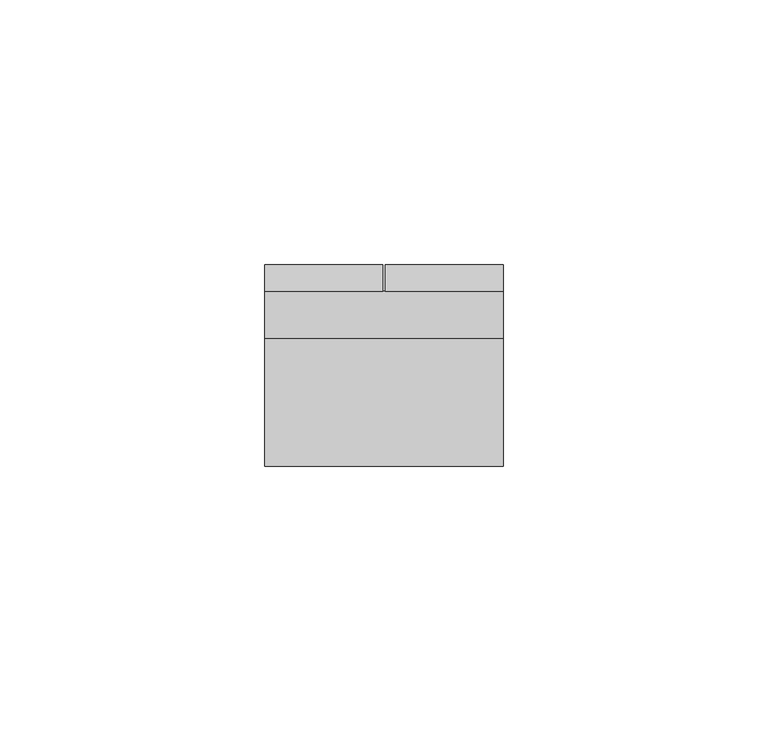
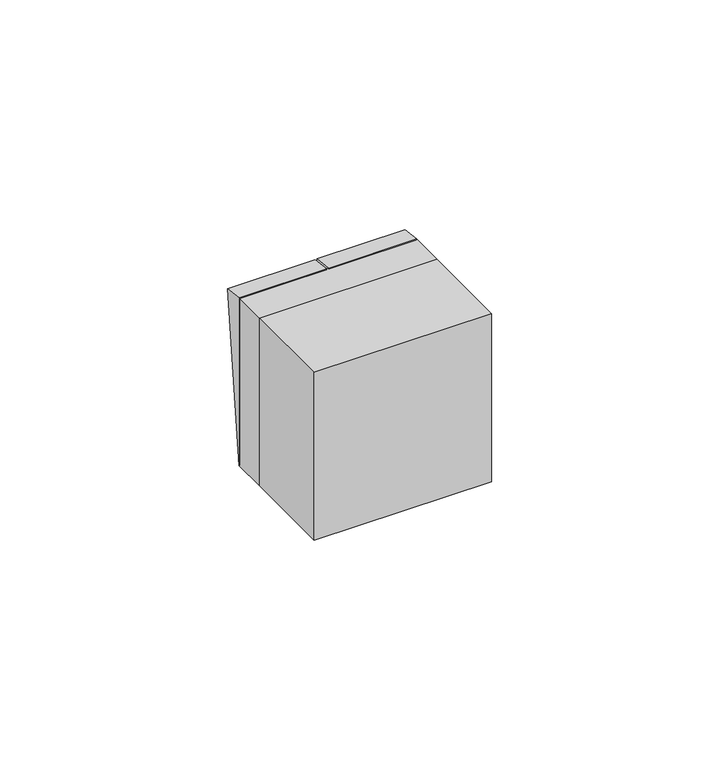
"""IFC4 building model written with IfcOpenShell, lengths in millimetres: switching device geometry."""

from ifc_helpers import new_model, si_unit, frame, origin, place, context, project, spatial, polyline, outline, extrude, source, transform, mapped, element, save


def switching_device_2bca99cb(model_context):
    return source(origin(), model_context, "Body", "SweptSolid", [
        extrude(outline(polyline([(9.0, -22.5), (9.0, 22.5), (13.9850961, 21.9408026), (9.0, -22.5)])), frame((0.25, 0.0, 0.0), z_axis=(1.0, 0.0, 0.0), x_axis=(0.0, 1.0, 0.0)), (0.0, 0.0, 1.0), 22.25),
        extrude(outline(polyline([(9.0, -22.5), (9.0, 22.5), (13.9850961, 21.9408026), (9.0, -22.5)])), frame((-22.5, 0.0, 0.0), z_axis=(1.0, 0.0, 0.0), x_axis=(0.0, 1.0, 0.0)), (0.0, 0.0, 1.0), 22.25),
        extrude(outline(polyline([(22.5, -24.0), (-22.5, -24.0), (-22.5, 0.0), (22.5, 0.0), (22.5, -24.0)])), frame((0.0, 0.0, -22.5), z_axis=(0.0, 0.0, 1.0), x_axis=(1.0, 0.0, 0.0)), (0.0, 0.0, 1.0), 45.0),
        extrude(outline(polyline([(22.5, 0.0), (-22.5, 0.0), (-22.5, 9.0), (22.5, 9.0), (22.5, 0.0)])), frame((0.0, 0.0, -22.5), z_axis=(0.0, 0.0, 1.0), x_axis=(1.0, 0.0, 0.0)), (0.0, 0.0, 1.0), 45.0),
    ])


if __name__ == "__main__":
    model = new_model("IFC4")
    model_context = context("Model", 3, world=origin())
    ifc_project = project(units=[si_unit("LENGTHUNIT", "METRE", prefix="MILLI")], contexts=[model_context])
    site = spatial("IfcSite", under=ifc_project)
    building = spatial("IfcBuilding", under=site)
    placement = place(None, origin())
    switching_device_shape = switching_device_2bca99cb(model_context)
    element("IfcSwitchingDevice", 1, at=placement, inside=building, context=model_context, shape_type="MappedRepresentation", body=[
        mapped(switching_device_shape, transform((0.0, 0.0, 0.0), x_axis=(1.0, 0.0, 0.0), y_axis=(0.0, 1.0, 0.0), z_axis=(0.0, 0.0, 1.0))),
    ])
    save(model, "model.ifc")
